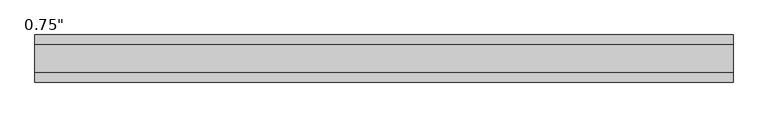
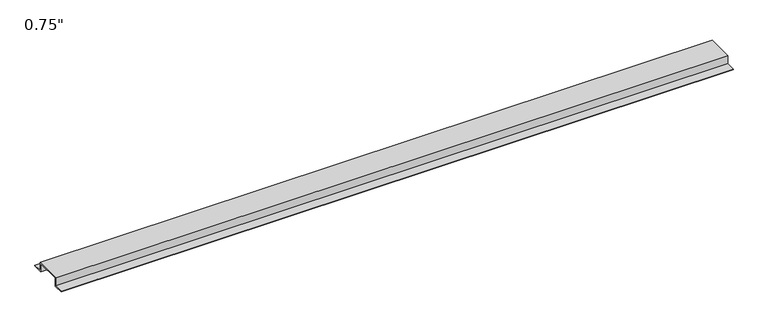
"""IFC4 building model written with IfcOpenShell, lengths in millimetres: proxy geometry."""

from ifc_helpers import new_model, si_unit, frame, origin, place, context, project, spatial, polyline, outline, extrude, source, transform, mapped, element, save


def proxy_97efe58e(model_context):
    return source(origin(), model_context, "Body", "SweptSolid", [
        extrude(outline(polyline([(-46.0559645, -17.4625), (-46.0559645, -15.8492), (-27.0129, -15.8492), (-27.0129, 1.6129), (27.0129, 1.6129), (27.0129, -15.8492), (46.0559645, -15.8492), (46.0559645, -17.4625), (25.4, -17.4625), (25.4, 0.0), (-25.4, 0.0), (-25.4, -17.4625), (-46.0559645, -17.4625)])), frame((0.0, 0.0, 0.0), z_axis=(1.0, 0.0, 0.0), x_axis=(0.0, 1.0, 0.0)), (0.0, 0.0, 1.0), 1364.8117491),
    ])


if __name__ == "__main__":
    model = new_model("IFC4")
    model_context = context("Model", 3, world=origin())
    ifc_project = project(units=[si_unit("LENGTHUNIT", "METRE", prefix="MILLI")], contexts=[model_context])
    site = spatial("IfcSite", under=ifc_project)
    building = spatial("IfcBuilding", under=site)
    placement = place(None, origin())
    proxy_shape = proxy_97efe58e(model_context)
    element("IfcBuildingElementProxy", 1, Name="0.75\"", ObjectType="0.75\"", at=placement, inside=building, context=model_context, shape_type="MappedRepresentation", body=[
        mapped(proxy_shape, transform((0.0, 0.0, 0.0), x_axis=(1.0, 0.0, 0.0), y_axis=(0.0, 1.0, 0.0), z_axis=(0.0, 0.0, 1.0))),
    ])
    save(model, "model.ifc")
